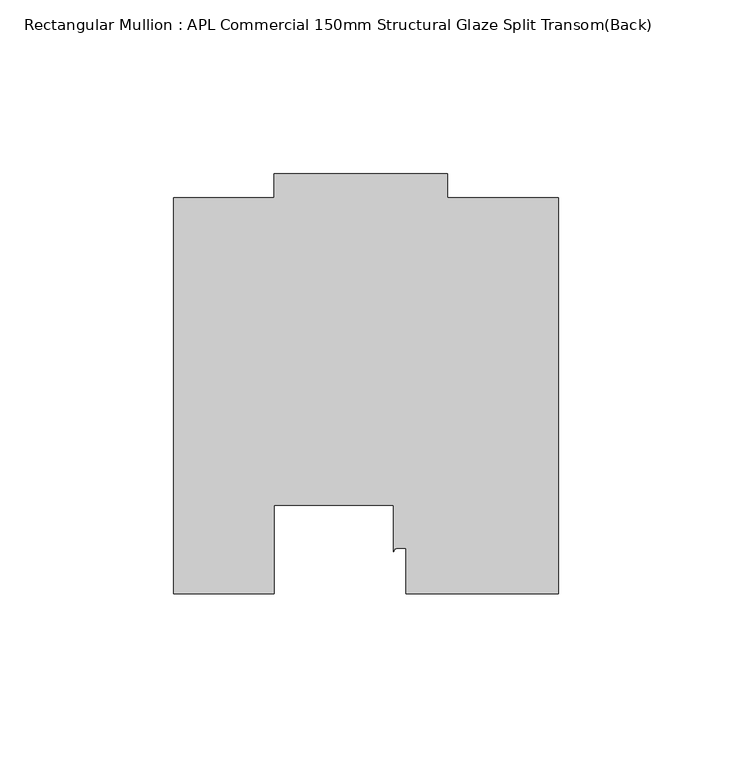
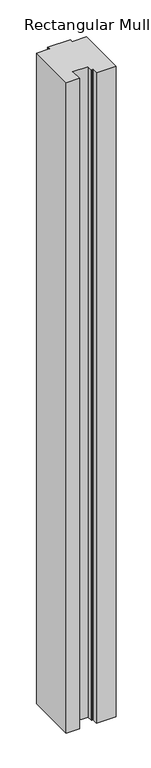
"""IFC4 building model written with IfcOpenShell, lengths in millimetres: member geometry, Rectangular Mullion : APL Commercial 150mm Structural Glaze Split Transom(Back)."""

from ifc_helpers import new_model, si_unit, point, frame, frame_2d, origin, place, context, project, spatial, polyline, circle_curve, trimmed, segment, composite_curve, outline, extrude, source, transform, mapped, element, save


def rectangular_mullion_apl_commercial_150mm_structural_glaze_fa20f9ee(model_context):
    return source(origin(), model_context, "Body", "SweptSolid", [
        extrude(outline(composite_curve([segment(polyline([(54.0000029, 15.0004617), (10.0000029, 15.0004617), (10.0000029, 28.0002131), (7.5000029, 28.0002131)]), True, "CONTINUOUS"), segment(trimmed(circle_curve(frame_2d((7.5000029, 27.0002131)), 1.0), [point((7.5000029, 28.0002131))], [point((6.5000029, 27.0002131))], True, "CARTESIAN"), True, "CONTINUOUS"), segment(polyline([(6.5000029, 27.0002131), (6.5000029, 40.499932), (-28.0000482, 40.499932), (-28.0000482, 15.0001793), (-57.0000004, 15.0001793), (-57.0000004, 129.0002765), (-27.9971154, 129.0002765), (-27.9971154, 136.0003326), (22.0028846, 136.0003326), (22.0028846, 129.0003326), (54.0000029, 129.0003326), (54.0000029, 15.0004617)]), True, "CONTINUOUS")], self_intersect=False)), frame((0.0, 0.0, -1524.000019), z_axis=(0.0, 0.0, 1.0), x_axis=(1.0, 0.0, 0.0)), (0.0, 0.0, 1.0), 1524.000019),
    ])


if __name__ == "__main__":
    model = new_model("IFC4")
    model_context = context("Model", 3, world=origin())
    ifc_project = project(units=[si_unit("LENGTHUNIT", "METRE", prefix="MILLI")], contexts=[model_context])
    site = spatial("IfcSite", under=ifc_project)
    building = spatial("IfcBuilding", under=site)
    placement = place(None, origin())
    rectangular_mullion_apl_commercial_150mm_structural_glaze_shape = rectangular_mullion_apl_commercial_150mm_structural_glaze_fa20f9ee(model_context)
    element("IfcMember", 1, ObjectType="Rectangular Mullion : APL Commercial 150mm Structural Glaze Split Transom(Back)", at=placement, inside=building, context=model_context, shape_type="MappedRepresentation", body=[
        mapped(rectangular_mullion_apl_commercial_150mm_structural_glaze_shape, transform((0.0, 0.0, 0.0), x_axis=(1.0, 0.0, 0.0), y_axis=(0.0, 1.0, 0.0), z_axis=(0.0, 0.0, 1.0))),
    ])
    save(model, "model.ifc")
